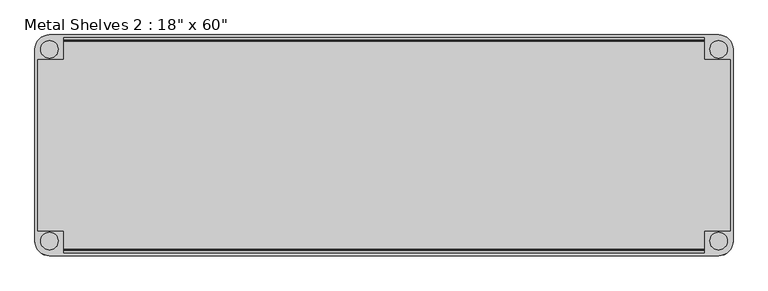
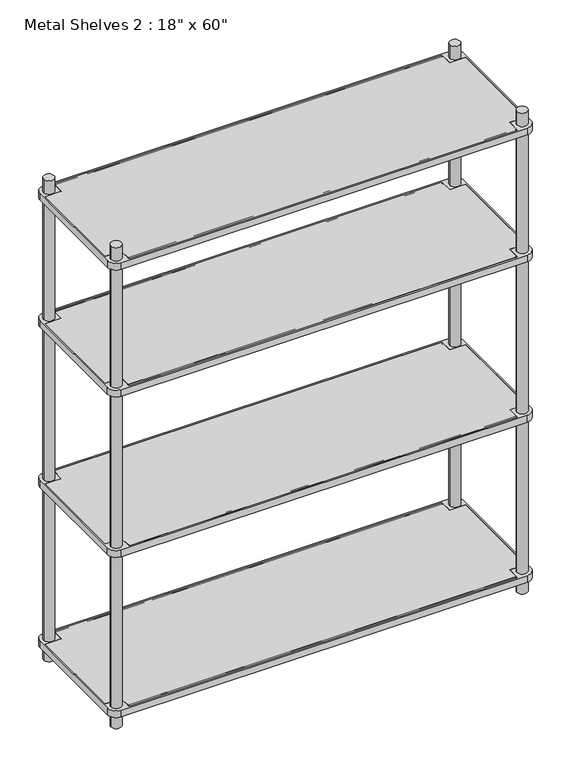
"""IFC4 building model written with IfcOpenShell, lengths in millimetres: furniture geometry."""

from ifc_helpers import new_model, si_unit, point, frame, frame_2d, origin, origin_with_axes, place, context, project, spatial, polyline, circle_curve, trimmed, segment, composite_curve, outline, extrude, source, transform, mapped, element, save


def furniture_a19e782a(model_context):
    return source(origin(), model_context, "Body", "SweptSolid", [
        extrude(outline(polyline([(-698.5, -234.95), (-698.5, -187.325), (-755.65, -187.325), (-755.65, 187.325), (-698.5, 187.325), (-698.5, 234.95), (698.5, 234.95), (698.5, 187.325), (755.65, 187.325), (755.65, -187.325), (698.5, -187.325), (698.5, -234.95), (-698.5, -234.95)])), frame((0.0, 0.0, 50.8), z_axis=(0.0, 0.0, 1.0), x_axis=(1.0, 0.0, 0.0)), (0.0, 0.0, 1.0), 25.4),
        extrude(outline(polyline([(-698.5, -234.95), (-698.5, -187.325), (-755.65, -187.325), (-755.65, 187.325), (-698.5, 187.325), (-698.5, 234.95), (698.5, 234.95), (698.5, 187.325), (755.65, 187.325), (755.65, -187.325), (698.5, -187.325), (698.5, -234.95), (-698.5, -234.95)])), frame((0.0, 0.0, 660.4), z_axis=(0.0, 0.0, 1.0), x_axis=(1.0, 0.0, 0.0)), (0.0, 0.0, 1.0), 25.4),
        extrude(outline(polyline([(-698.5, -234.95), (-698.5, -187.325), (-755.65, -187.325), (-755.65, 187.325), (-698.5, 187.325), (-698.5, 234.95), (698.5, 234.95), (698.5, 187.325), (755.65, 187.325), (755.65, -187.325), (698.5, -187.325), (698.5, -234.95), (-698.5, -234.95)])), frame((0.0, 0.0, 1270.0), z_axis=(0.0, 0.0, 1.0), x_axis=(1.0, 0.0, 0.0)), (0.0, 0.0, 1.0), 25.4),
        extrude(outline(polyline([(-755.65, -187.325), (-755.65, 187.325), (-698.5, 187.325), (-698.5, 234.95), (698.5, 234.95), (698.5, 187.325), (755.65, 187.325), (755.65, -187.325), (698.5, -187.325), (698.5, -234.95), (-698.5, -234.95), (-698.5, -187.325), (-755.65, -187.325)])), frame((0.0, 0.0, 1752.6), z_axis=(0.0, 0.0, 1.0), x_axis=(1.0, 0.0, 0.0)), (0.0, 0.0, 1.0), 25.4),
        extrude(outline(composite_curve([segment(polyline([(762.0, 209.55), (762.0, -209.55)]), True, "CONTINUOUS"), segment(trimmed(circle_curve(frame_2d((730.25, -209.55)), 31.75), [point((762.0, -209.55))], [point((730.25, -241.3))], False, "CARTESIAN"), True, "CONTINUOUS"), segment(polyline([(730.25, -241.3), (-730.25, -241.3)]), True, "CONTINUOUS"), segment(trimmed(circle_curve(frame_2d((-730.25, -209.55)), 31.75), [point((-730.25, -241.3))], [point((-762.0, -209.55))], False, "CARTESIAN"), True, "CONTINUOUS"), segment(polyline([(-762.0, -209.55), (-762.0, 209.55)]), True, "CONTINUOUS"), segment(trimmed(circle_curve(frame_2d((-730.25, 209.55)), 31.75), [point((-762.0, 209.55))], [point((-730.25, 241.3))], False, "CARTESIAN"), True, "CONTINUOUS"), segment(polyline([(-730.25, 241.3), (730.25, 241.3)]), True, "CONTINUOUS"), segment(trimmed(circle_curve(frame_2d((730.25, 209.55)), 31.75), [point((730.25, 241.3))], [point((762.0, 209.55))], False, "CARTESIAN"), True, "CONTINUOUS")], self_intersect=False), holes=[polyline([(-698.5, 234.95), (-698.5, 187.325), (-755.65, 187.325), (-755.65, -187.325), (-698.5, -187.325), (-698.5, -234.95), (698.5, -234.95), (698.5, -187.325), (755.65, -187.325), (755.65, 187.325), (698.5, 187.325), (698.5, 234.95), (-698.5, 234.95)]), composite_curve([segment(trimmed(circle_curve(frame_2d((730.25, 209.55)), 19.05), [point((711.2, 209.55))], [point((749.3, 209.55))], True, "CARTESIAN"), True, "CONTINUOUS"), segment(trimmed(circle_curve(frame_2d((730.25, 209.55)), 19.05), [point((749.3, 209.55))], [point((711.2, 209.55))], True, "CARTESIAN"), True, "CONTINUOUS")], self_intersect=False), composite_curve([segment(trimmed(circle_curve(frame_2d((730.25, -209.55)), 19.05), [point((711.2, -209.55))], [point((749.3, -209.55))], True, "CARTESIAN"), True, "CONTINUOUS"), segment(trimmed(circle_curve(frame_2d((730.25, -209.55)), 19.05), [point((749.3, -209.55))], [point((711.2, -209.55))], True, "CARTESIAN"), True, "CONTINUOUS")], self_intersect=False), composite_curve([segment(trimmed(circle_curve(frame_2d((-730.25, -209.55)), 19.05), [point((-711.2, -209.55))], [point((-749.3, -209.55))], True, "CARTESIAN"), True, "CONTINUOUS"), segment(trimmed(circle_curve(frame_2d((-730.25, -209.55)), 19.05), [point((-749.3, -209.55))], [point((-711.2, -209.55))], True, "CARTESIAN"), True, "CONTINUOUS")], self_intersect=False), composite_curve([segment(trimmed(circle_curve(frame_2d((-730.25, 209.55)), 19.05), [point((-711.2, 209.55))], [point((-749.3, 209.55))], True, "CARTESIAN"), True, "CONTINUOUS"), segment(trimmed(circle_curve(frame_2d((-730.25, 209.55)), 19.05), [point((-749.3, 209.55))], [point((-711.2, 209.55))], True, "CARTESIAN"), True, "CONTINUOUS")], self_intersect=False)]), frame((0.0, 0.0, 660.4), z_axis=(0.0, 0.0, 1.0), x_axis=(1.0, 0.0, 0.0)), (0.0, 0.0, 1.0), 25.4),
        extrude(outline(composite_curve([segment(polyline([(-730.25, 241.3), (730.25, 241.3)]), True, "CONTINUOUS"), segment(trimmed(circle_curve(frame_2d((730.25, 209.55)), 31.75), [point((730.25, 241.3))], [point((762.0, 209.55))], False, "CARTESIAN"), True, "CONTINUOUS"), segment(polyline([(762.0, 209.55), (762.0, -209.55)]), True, "CONTINUOUS"), segment(trimmed(circle_curve(frame_2d((730.25, -209.55)), 31.75), [point((762.0, -209.55))], [point((730.25, -241.3))], False, "CARTESIAN"), True, "CONTINUOUS"), segment(polyline([(730.25, -241.3), (-730.25, -241.3)]), True, "CONTINUOUS"), segment(trimmed(circle_curve(frame_2d((-730.25, -209.55)), 31.75), [point((-730.25, -241.3))], [point((-762.0, -209.55))], False, "CARTESIAN"), True, "CONTINUOUS"), segment(polyline([(-762.0, -209.55), (-762.0, 209.55)]), True, "CONTINUOUS"), segment(trimmed(circle_curve(frame_2d((-730.25, 209.55)), 31.75), [point((-762.0, 209.55))], [point((-730.25, 241.3))], False, "CARTESIAN"), True, "CONTINUOUS")], self_intersect=False), holes=[composite_curve([segment(trimmed(circle_curve(frame_2d((-730.25, 209.55)), 19.05), [point((-711.2, 209.55))], [point((-749.3, 209.55))], True, "CARTESIAN"), True, "CONTINUOUS"), segment(trimmed(circle_curve(frame_2d((-730.25, 209.55)), 19.05), [point((-749.3, 209.55))], [point((-711.2, 209.55))], True, "CARTESIAN"), True, "CONTINUOUS")], self_intersect=False), composite_curve([segment(trimmed(circle_curve(frame_2d((-730.25, -209.55)), 19.05), [point((-711.2, -209.55))], [point((-749.3, -209.55))], True, "CARTESIAN"), True, "CONTINUOUS"), segment(trimmed(circle_curve(frame_2d((-730.25, -209.55)), 19.05), [point((-749.3, -209.55))], [point((-711.2, -209.55))], True, "CARTESIAN"), True, "CONTINUOUS")], self_intersect=False), composite_curve([segment(trimmed(circle_curve(frame_2d((730.25, 209.55)), 19.05), [point((711.2, 209.55))], [point((749.3, 209.55))], True, "CARTESIAN"), True, "CONTINUOUS"), segment(trimmed(circle_curve(frame_2d((730.25, 209.55)), 19.05), [point((749.3, 209.55))], [point((711.2, 209.55))], True, "CARTESIAN"), True, "CONTINUOUS")], self_intersect=False), composite_curve([segment(trimmed(circle_curve(frame_2d((730.25, -209.55)), 19.05), [point((711.2, -209.55))], [point((749.3, -209.55))], True, "CARTESIAN"), True, "CONTINUOUS"), segment(trimmed(circle_curve(frame_2d((730.25, -209.55)), 19.05), [point((749.3, -209.55))], [point((711.2, -209.55))], True, "CARTESIAN"), True, "CONTINUOUS")], self_intersect=False), polyline([(-698.5, 234.95), (-698.5, 187.325), (-755.65, 187.325), (-755.65, -187.325), (-698.5, -187.325), (-698.5, -234.95), (698.5, -234.95), (698.5, -187.325), (755.65, -187.325), (755.65, 187.325), (698.5, 187.325), (698.5, 234.95), (-698.5, 234.95)])]), frame((0.0, 0.0, 50.8), z_axis=(0.0, 0.0, 1.0), x_axis=(1.0, 0.0, 0.0)), (0.0, 0.0, 1.0), 25.4),
        extrude(outline(composite_curve([segment(polyline([(-762.0, -209.55), (-762.0, 209.55)]), True, "CONTINUOUS"), segment(trimmed(circle_curve(frame_2d((-730.25, 209.55)), 31.75), [point((-762.0, 209.55))], [point((-730.25, 241.3))], False, "CARTESIAN"), True, "CONTINUOUS"), segment(polyline([(-730.25, 241.3), (730.25, 241.3)]), True, "CONTINUOUS"), segment(trimmed(circle_curve(frame_2d((730.25, 209.55)), 31.75), [point((730.25, 241.3))], [point((762.0, 209.55))], False, "CARTESIAN"), True, "CONTINUOUS"), segment(polyline([(762.0, 209.55), (762.0, -209.55)]), True, "CONTINUOUS"), segment(trimmed(circle_curve(frame_2d((730.25, -209.55)), 31.75), [point((762.0, -209.55))], [point((730.25, -241.3))], False, "CARTESIAN"), True, "CONTINUOUS"), segment(polyline([(730.25, -241.3), (-730.25, -241.3)]), True, "CONTINUOUS"), segment(trimmed(circle_curve(frame_2d((-730.25, -209.55)), 31.75), [point((-730.25, -241.3))], [point((-762.0, -209.55))], False, "CARTESIAN"), True, "CONTINUOUS")], self_intersect=False), holes=[composite_curve([segment(trimmed(circle_curve(frame_2d((-730.25, -209.55)), 19.05), [point((-711.2, -209.55))], [point((-749.3, -209.55))], True, "CARTESIAN"), True, "CONTINUOUS"), segment(trimmed(circle_curve(frame_2d((-730.25, -209.55)), 19.05), [point((-749.3, -209.55))], [point((-711.2, -209.55))], True, "CARTESIAN"), True, "CONTINUOUS")], self_intersect=False), composite_curve([segment(trimmed(circle_curve(frame_2d((-730.25, 209.55)), 19.05), [point((-711.2, 209.55))], [point((-749.3, 209.55))], True, "CARTESIAN"), True, "CONTINUOUS"), segment(trimmed(circle_curve(frame_2d((-730.25, 209.55)), 19.05), [point((-749.3, 209.55))], [point((-711.2, 209.55))], True, "CARTESIAN"), True, "CONTINUOUS")], self_intersect=False), composite_curve([segment(trimmed(circle_curve(frame_2d((730.25, 209.55)), 19.05), [point((711.2, 209.55))], [point((749.3, 209.55))], True, "CARTESIAN"), True, "CONTINUOUS"), segment(trimmed(circle_curve(frame_2d((730.25, 209.55)), 19.05), [point((749.3, 209.55))], [point((711.2, 209.55))], True, "CARTESIAN"), True, "CONTINUOUS")], self_intersect=False), polyline([(-698.5, 234.95), (-698.5, 187.325), (-755.65, 187.325), (-755.65, -187.325), (-698.5, -187.325), (-698.5, -234.95), (698.5, -234.95), (698.5, -187.325), (755.65, -187.325), (755.65, 187.325), (698.5, 187.325), (698.5, 234.95), (-698.5, 234.95)]), composite_curve([segment(trimmed(circle_curve(frame_2d((730.25, -209.55)), 19.05), [point((711.2, -209.55))], [point((749.3, -209.55))], True, "CARTESIAN"), True, "CONTINUOUS"), segment(trimmed(circle_curve(frame_2d((730.25, -209.55)), 19.05), [point((749.3, -209.55))], [point((711.2, -209.55))], True, "CARTESIAN"), True, "CONTINUOUS")], self_intersect=False)]), frame((0.0, 0.0, 1270.0), z_axis=(0.0, 0.0, 1.0), x_axis=(1.0, 0.0, 0.0)), (0.0, 0.0, 1.0), 25.4),
        extrude(outline(composite_curve([segment(polyline([(-730.25, 241.3), (730.25, 241.3)]), True, "CONTINUOUS"), segment(trimmed(circle_curve(frame_2d((730.25, 209.55)), 31.75), [point((730.25, 241.3))], [point((762.0, 209.55))], False, "CARTESIAN"), True, "CONTINUOUS"), segment(polyline([(762.0, 209.55), (762.0, -209.55)]), True, "CONTINUOUS"), segment(trimmed(circle_curve(frame_2d((730.25, -209.55)), 31.75), [point((762.0, -209.55))], [point((730.25, -241.3))], False, "CARTESIAN"), True, "CONTINUOUS"), segment(polyline([(730.25, -241.3), (-730.25, -241.3)]), True, "CONTINUOUS"), segment(trimmed(circle_curve(frame_2d((-730.25, -209.55)), 31.75), [point((-730.25, -241.3))], [point((-762.0, -209.55))], False, "CARTESIAN"), True, "CONTINUOUS"), segment(polyline([(-762.0, -209.55), (-762.0, 209.55)]), True, "CONTINUOUS"), segment(trimmed(circle_curve(frame_2d((-730.25, 209.55)), 31.75), [point((-762.0, 209.55))], [point((-730.25, 241.3))], False, "CARTESIAN"), True, "CONTINUOUS")], self_intersect=False), holes=[composite_curve([segment(trimmed(circle_curve(frame_2d((730.25, -209.55)), 19.05), [point((711.2, -209.55))], [point((749.3, -209.55))], True, "CARTESIAN"), True, "CONTINUOUS"), segment(trimmed(circle_curve(frame_2d((730.25, -209.55)), 19.05), [point((749.3, -209.55))], [point((711.2, -209.55))], True, "CARTESIAN"), True, "CONTINUOUS")], self_intersect=False), composite_curve([segment(trimmed(circle_curve(frame_2d((730.25, 209.55)), 19.05), [point((711.2, 209.55))], [point((749.3, 209.55))], True, "CARTESIAN"), True, "CONTINUOUS"), segment(trimmed(circle_curve(frame_2d((730.25, 209.55)), 19.05), [point((749.3, 209.55))], [point((711.2, 209.55))], True, "CARTESIAN"), True, "CONTINUOUS")], self_intersect=False), composite_curve([segment(trimmed(circle_curve(frame_2d((-730.25, -209.55)), 19.05), [point((-711.2, -209.55))], [point((-749.3, -209.55))], True, "CARTESIAN"), True, "CONTINUOUS"), segment(trimmed(circle_curve(frame_2d((-730.25, -209.55)), 19.05), [point((-749.3, -209.55))], [point((-711.2, -209.55))], True, "CARTESIAN"), True, "CONTINUOUS")], self_intersect=False), polyline([(755.65, 187.325), (698.5, 187.325), (698.5, 234.95), (-698.5, 234.95), (-698.5, 187.325), (-755.65, 187.325), (-755.65, -187.325), (-698.5, -187.325), (-698.5, -234.95), (698.5, -234.95), (698.5, -187.325), (755.65, -187.325), (755.65, 187.325)]), composite_curve([segment(trimmed(circle_curve(frame_2d((-730.25, 209.55)), 19.05), [point((-711.2, 209.55))], [point((-749.3, 209.55))], True, "CARTESIAN"), True, "CONTINUOUS"), segment(trimmed(circle_curve(frame_2d((-730.25, 209.55)), 19.05), [point((-749.3, 209.55))], [point((-711.2, 209.55))], True, "CARTESIAN"), True, "CONTINUOUS")], self_intersect=False)]), frame((0.0, 0.0, 1752.6), z_axis=(0.0, 0.0, 1.0), x_axis=(1.0, 0.0, 0.0)), (0.0, 0.0, 1.0), 25.4),
        extrude(outline(composite_curve([segment(trimmed(circle_curve(frame_2d((-228.6, 1776.4125)), 1.5875), [point((-227.0125, 1776.4125))], [point((-230.1875, 1776.4125))], False, "CARTESIAN"), True, "CONTINUOUS"), segment(trimmed(circle_curve(frame_2d((-228.6, 1776.4125)), 1.5875), [point((-230.1875, 1776.4125))], [point((-227.0125, 1776.4125))], False, "CARTESIAN"), True, "CONTINUOUS")], self_intersect=False)), frame((-698.5, 0.0, 0.0), z_axis=(1.0, 0.0, 0.0), x_axis=(0.0, 1.0, 0.0)), (0.0, 0.0, 1.0), 1397.0),
        extrude(outline(composite_curve([segment(trimmed(circle_curve(frame_2d((228.6, 1776.4125)), 1.5875), [point((230.1875, 1776.4125))], [point((227.0125, 1776.4125))], False, "CARTESIAN"), True, "CONTINUOUS"), segment(trimmed(circle_curve(frame_2d((228.6, 1776.4125)), 1.5875), [point((227.0125, 1776.4125))], [point((230.1875, 1776.4125))], False, "CARTESIAN"), True, "CONTINUOUS")], self_intersect=False)), frame((-698.5, 0.0, 0.0), z_axis=(1.0, 0.0, 0.0), x_axis=(0.0, 1.0, 0.0)), (0.0, 0.0, 1.0), 1397.0),
        extrude(outline(composite_curve([segment(trimmed(circle_curve(frame_2d((-228.6, 1293.8125)), 1.5875), [point((-227.0125, 1293.8125))], [point((-230.1875, 1293.8125))], False, "CARTESIAN"), True, "CONTINUOUS"), segment(trimmed(circle_curve(frame_2d((-228.6, 1293.8125)), 1.5875), [point((-230.1875, 1293.8125))], [point((-227.0125, 1293.8125))], False, "CARTESIAN"), True, "CONTINUOUS")], self_intersect=False)), frame((-698.5, 0.0, 0.0), z_axis=(1.0, 0.0, 0.0), x_axis=(0.0, 1.0, 0.0)), (0.0, 0.0, 1.0), 1397.0),
        extrude(outline(composite_curve([segment(trimmed(circle_curve(frame_2d((228.6, 1293.8125)), 1.5875), [point((230.1875, 1293.8125))], [point((227.0125, 1293.8125))], False, "CARTESIAN"), True, "CONTINUOUS"), segment(trimmed(circle_curve(frame_2d((228.6, 1293.8125)), 1.5875), [point((227.0125, 1293.8125))], [point((230.1875, 1293.8125))], False, "CARTESIAN"), True, "CONTINUOUS")], self_intersect=False)), frame((-698.5, 0.0, 0.0), z_axis=(1.0, 0.0, 0.0), x_axis=(0.0, 1.0, 0.0)), (0.0, 0.0, 1.0), 1397.0),
        extrude(outline(composite_curve([segment(trimmed(circle_curve(frame_2d((-228.6, 684.2125)), 1.5875), [point((-227.0125, 684.2125))], [point((-230.1875, 684.2125))], False, "CARTESIAN"), True, "CONTINUOUS"), segment(trimmed(circle_curve(frame_2d((-228.6, 684.2125)), 1.5875), [point((-230.1875, 684.2125))], [point((-227.0125, 684.2125))], False, "CARTESIAN"), True, "CONTINUOUS")], self_intersect=False)), frame((-698.5, 0.0, 0.0), z_axis=(1.0, 0.0, 0.0), x_axis=(0.0, 1.0, 0.0)), (0.0, 0.0, 1.0), 1397.0),
        extrude(outline(composite_curve([segment(trimmed(circle_curve(frame_2d((228.6, 684.2125)), 1.5875), [point((230.1875, 684.2125))], [point((227.0125, 684.2125))], False, "CARTESIAN"), True, "CONTINUOUS"), segment(trimmed(circle_curve(frame_2d((228.6, 684.2125)), 1.5875), [point((227.0125, 684.2125))], [point((230.1875, 684.2125))], False, "CARTESIAN"), True, "CONTINUOUS")], self_intersect=False)), frame((-698.5, 0.0, 0.0), z_axis=(1.0, 0.0, 0.0), x_axis=(0.0, 1.0, 0.0)), (0.0, 0.0, 1.0), 1397.0),
        extrude(outline(composite_curve([segment(trimmed(circle_curve(frame_2d((-228.6, 74.6125)), 1.5875), [point((-227.0125, 74.6125))], [point((-230.1875, 74.6125))], False, "CARTESIAN"), True, "CONTINUOUS"), segment(trimmed(circle_curve(frame_2d((-228.6, 74.6125)), 1.5875), [point((-230.1875, 74.6125))], [point((-227.0125, 74.6125))], False, "CARTESIAN"), True, "CONTINUOUS")], self_intersect=False)), frame((-698.5, 0.0, 0.0), z_axis=(1.0, 0.0, 0.0), x_axis=(0.0, 1.0, 0.0)), (0.0, 0.0, 1.0), 1397.0),
        extrude(outline(composite_curve([segment(trimmed(circle_curve(frame_2d((228.6, 74.6125)), 1.5875), [point((230.1875, 74.6125))], [point((227.0125, 74.6125))], False, "CARTESIAN"), True, "CONTINUOUS"), segment(trimmed(circle_curve(frame_2d((228.6, 74.6125)), 1.5875), [point((227.0125, 74.6125))], [point((230.1875, 74.6125))], False, "CARTESIAN"), True, "CONTINUOUS")], self_intersect=False)), frame((-698.5, 0.0, 0.0), z_axis=(1.0, 0.0, 0.0), x_axis=(0.0, 1.0, 0.0)), (0.0, 0.0, 1.0), 1397.0),
        extrude(outline(composite_curve([segment(trimmed(circle_curve(frame_2d((730.25, 209.55)), 19.05), [point((749.3, 209.55))], [point((711.2, 209.55))], False, "CARTESIAN"), True, "CONTINUOUS"), segment(trimmed(circle_curve(frame_2d((730.25, 209.55)), 19.05), [point((711.2, 209.55))], [point((749.3, 209.55))], False, "CARTESIAN"), True, "CONTINUOUS")], self_intersect=False)), origin_with_axes(), (0.0, 0.0, 1.0), 1828.8),
        extrude(outline(composite_curve([segment(trimmed(circle_curve(frame_2d((-730.25, 209.55)), 19.05), [point((-749.3, 209.55))], [point((-711.2, 209.55))], False, "CARTESIAN"), True, "CONTINUOUS"), segment(trimmed(circle_curve(frame_2d((-730.25, 209.55)), 19.05), [point((-711.2, 209.55))], [point((-749.3, 209.55))], False, "CARTESIAN"), True, "CONTINUOUS")], self_intersect=False)), origin_with_axes(), (0.0, 0.0, 1.0), 1828.8),
        extrude(outline(composite_curve([segment(trimmed(circle_curve(frame_2d((730.25, -209.55)), 19.05), [point((749.3, -209.55))], [point((711.2, -209.55))], False, "CARTESIAN"), True, "CONTINUOUS"), segment(trimmed(circle_curve(frame_2d((730.25, -209.55)), 19.05), [point((711.2, -209.55))], [point((749.3, -209.55))], False, "CARTESIAN"), True, "CONTINUOUS")], self_intersect=False)), origin_with_axes(), (0.0, 0.0, 1.0), 1828.8),
        extrude(outline(composite_curve([segment(trimmed(circle_curve(frame_2d((-730.25, -209.55)), 19.05), [point((-749.3, -209.55))], [point((-711.2, -209.55))], False, "CARTESIAN"), True, "CONTINUOUS"), segment(trimmed(circle_curve(frame_2d((-730.25, -209.55)), 19.05), [point((-711.2, -209.55))], [point((-749.3, -209.55))], False, "CARTESIAN"), True, "CONTINUOUS")], self_intersect=False)), origin_with_axes(), (0.0, 0.0, 1.0), 1828.8),
    ])


if __name__ == "__main__":
    model = new_model("IFC4")
    model_context = context("Model", 3, world=origin())
    ifc_project = project(units=[si_unit("LENGTHUNIT", "METRE", prefix="MILLI")], contexts=[model_context])
    site = spatial("IfcSite", under=ifc_project)
    building = spatial("IfcBuilding", under=site)
    placement = place(None, origin())
    furniture_shape = furniture_a19e782a(model_context)
    element("IfcFurniture", 1, ObjectType="Metal Shelves 2 : 18\" x 60\"", at=placement, inside=building, context=model_context, shape_type="MappedRepresentation", body=[
        mapped(furniture_shape, transform((0.0, 0.0, 0.0), x_axis=(1.0, 0.0, 0.0), y_axis=(0.0, 1.0, 0.0), z_axis=(0.0, 0.0, 1.0))),
    ])
    save(model, "model.ifc")
